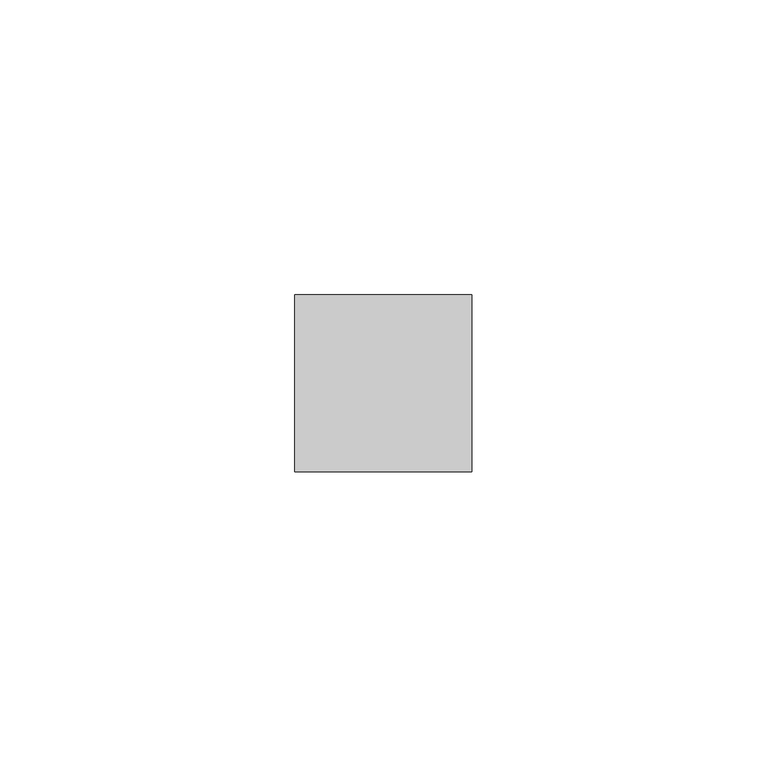
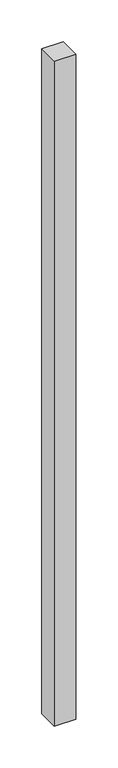
"""IFC4 building model written with IfcOpenShell, lengths in millimetres: member geometry."""

from ifc_helpers import new_model, si_unit, frame, origin, place, context, project, spatial, polyline, outline, extrude, source, transform, mapped, element, save


def member_42da4ec5(model_context):
    return source(origin(), model_context, "Body", "SweptSolid", [
        extrude(outline(polyline([(15.0, 15.0), (15.0, -15.0), (-15.0, -15.0), (-15.0, 15.0), (15.0, 15.0)])), frame((0.0, 0.0, -971.6666667), z_axis=(0.0, 0.0, 1.0), x_axis=(1.0, 0.0, 0.0)), (0.0, 0.0, 1.0), 971.6666667),
    ])


if __name__ == "__main__":
    model = new_model("IFC4")
    model_context = context("Model", 3, world=origin())
    ifc_project = project(units=[si_unit("LENGTHUNIT", "METRE", prefix="MILLI")], contexts=[model_context])
    site = spatial("IfcSite", under=ifc_project)
    building = spatial("IfcBuilding", under=site)
    placement = place(None, origin())
    member_shape = member_42da4ec5(model_context)
    element("IfcMember", 1, at=placement, inside=building, context=model_context, shape_type="MappedRepresentation", body=[
        mapped(member_shape, transform((0.0, 0.0, 0.0), x_axis=(1.0, 0.0, 0.0), y_axis=(0.0, 1.0, 0.0), z_axis=(0.0, 0.0, 1.0))),
    ])
    save(model, "model.ifc")
